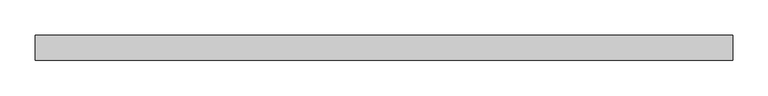
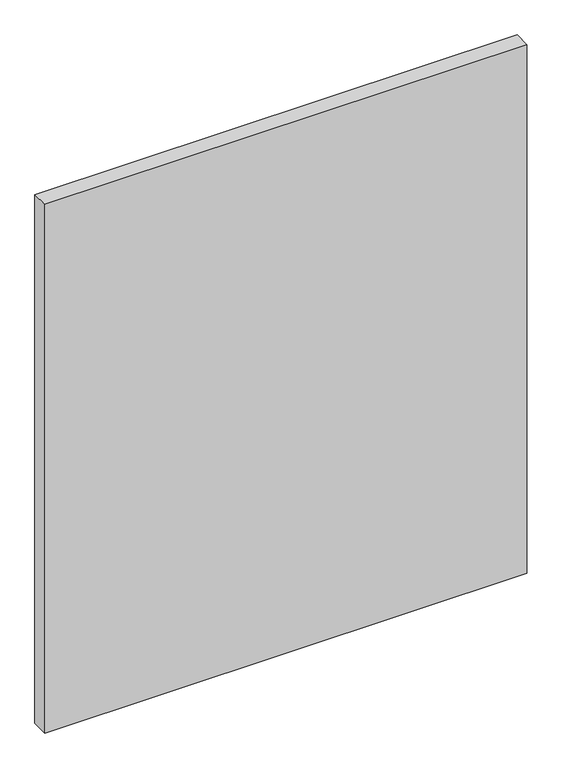
"""IFC4 building model written with IfcOpenShell, lengths in millimetres: plate geometry."""

from ifc_helpers import new_model, si_unit, origin, origin_with_axes, place, context, project, spatial, polyline, outline, extrude, source, transform, mapped, element, save


def plate_83951cd4(model_context):
    return source(origin(), model_context, "Body", "SweptSolid", [
        extrude(outline(polyline([(493.3958333, -17.5), (-493.3958333, -17.5), (-493.3958333, 17.5), (493.3958333, 17.5), (493.3958333, -17.5)])), origin_with_axes(), (0.0, 0.0, 1.0), 1143.8125),
    ])


if __name__ == "__main__":
    model = new_model("IFC4")
    model_context = context("Model", 3, world=origin())
    ifc_project = project(units=[si_unit("LENGTHUNIT", "METRE", prefix="MILLI")], contexts=[model_context])
    site = spatial("IfcSite", under=ifc_project)
    building = spatial("IfcBuilding", under=site)
    placement = place(None, origin())
    plate_shape = plate_83951cd4(model_context)
    element("IfcPlate", 1, at=placement, inside=building, context=model_context, shape_type="MappedRepresentation", body=[
        mapped(plate_shape, transform((0.0, 0.0, 0.0), x_axis=(1.0, 0.0, 0.0), y_axis=(0.0, 1.0, 0.0), z_axis=(0.0, 0.0, 1.0))),
    ])
    save(model, "model.ifc")
